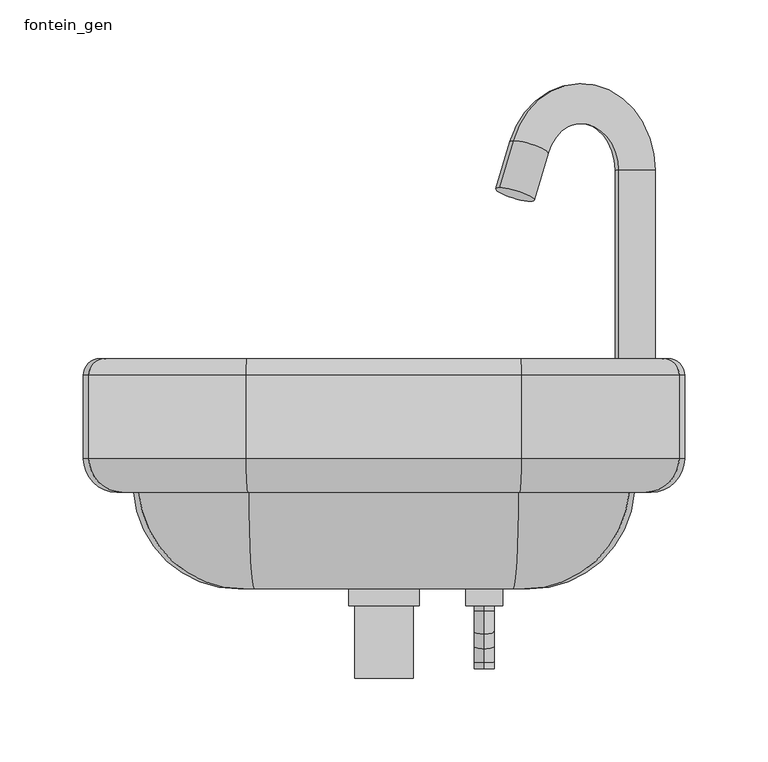
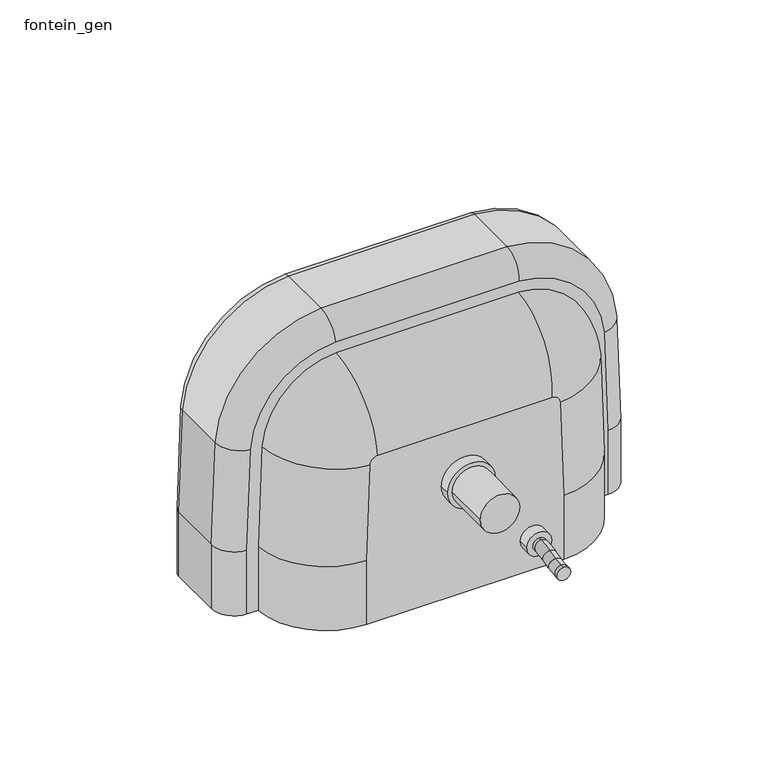
"""IFC4 building model written with IfcOpenShell, lengths in millimetres: flow terminal geometry, fontein_gen."""

from ifc_helpers import new_model, si_unit, point, frame, frame_2d, origin, place, context, project, spatial, polyline, circle_curve, ellipse_curve, trimmed, segment, composite_curve, outline, extrude, source, transform, mapped, element, save
from ifc_brep_helpers import plane_surface, cylinder_surface, revolved_surface, advanced_brep


def fontein_gen_d8a96974(model_context):
    return source(origin(), model_context, "Body", "SolidModel", [
        extrude(outline(composite_curve([segment(trimmed(circle_curve(frame_2d((30.0, 60.0)), 11.0), [point((30.0, 49.0))], [point((30.0, 71.0))], False, "CARTESIAN"), True, "CONTINUOUS"), segment(trimmed(circle_curve(frame_2d((30.0, 60.0)), 11.0), [point((30.0, 71.0))], [point((30.0, 49.0))], False, "CARTESIAN"), True, "CONTINUOUS")], self_intersect=False)), frame((0.0, 60.0639125, 0.0), z_axis=(0.0, 1.0, 0.0), x_axis=(0.0, 0.0, 1.0)), (0.0, 0.0, 1.0), 10.0),
        extrude(outline(composite_curve([segment(trimmed(circle_curve(frame_2d((106.0, 0.0)), 21.0), [point((106.0, -21.0))], [point((106.0, 21.0))], False, "CARTESIAN"), True, "CONTINUOUS"), segment(trimmed(circle_curve(frame_2d((106.0, 0.0)), 21.0), [point((106.0, 21.0))], [point((106.0, -21.0))], False, "CARTESIAN"), True, "CONTINUOUS")], self_intersect=False)), frame((0.0, 60.0639125, 0.0), z_axis=(0.0, 1.0, 0.0), x_axis=(0.0, 0.0, 1.0)), (0.0, 0.0, 1.0), 10.0),
        advanced_brep(
        [(87.3560443, 70.0639125, 0.0), (-87.3560443, 70.0639125, 0.0), (-150.0, 128.0639125, 0.0), (-160.0, 128.0639125, 0.0), (-180.0, 148.0639125, 0.0), (-180.0, 198.0639125, 0.0), (-170.0, 208.0639125, 0.0), (170.0, 208.0639125, 0.0), (180.0, 198.0639125, 0.0), (180.0, 148.0639125, 0.0), (160.0, 128.0639125, 0.0), (150.0, 128.0639125, 0.0), (180.0, 198.0639125, 60.0), (180.0, 148.0639125, 60.0), (-170.0, 208.0639125, 60.0), (-166.7286829, 208.0639125, 154.1058858), (-81.9569, 208.0639125, 237.716655), (81.9569, 208.0639125, 237.716655), (166.7286829, 208.0639125, 154.1058858), (170.0, 208.0639125, 60.0), (156.833767, 208.0639125, 151.2566924), (81.0027474, 208.0639125, 228.3712082), (-81.0027474, 208.0639125, 228.3712082), (-156.833767, 208.0639125, 151.2566924), (-158.4609999, 208.0639125, 104.4461301), (-106.3160991, 208.0639125, 42.8733027), (106.3160991, 208.0639125, 42.8733027), (158.4609999, 208.0639125, 104.4461301), (-180.0, 148.0639125, 60.0), (-180.0, 198.0639125, 60.0), (87.3560443, 70.0639125, 60.0), (84.2842206, 70.0639125, 148.3670678), (77.3554984, 70.0639125, 155.2008958), (-77.3554984, 70.0639125, 155.2008958), (-84.2842206, 70.0639125, 148.3670678), (-87.3560443, 70.0639125, 60.0), (160.0, 128.0639125, 60.0), (156.7528218, 128.0639125, 153.4114832), (81.4001259, 128.0639125, 227.7321669), (-81.4001259, 128.0639125, 227.7321669), (-156.7528218, 128.0639125, 153.4114832), (-160.0, 128.0639125, 60.0), (-150.0, 128.0639125, 60.0), (-146.7769607, 128.0639125, 152.7170806), (-80.8433518, 128.0639125, 217.7476788), (80.8433518, 128.0639125, 217.7476788), (146.7769607, 128.0639125, 152.7170806), (150.0, 128.0639125, 60.0), (176.704544, 148.0639125, 154.8002885), (176.704544, 198.0639125, 154.8002885), (82.5136742, 148.0639125, 247.7011431), (82.5136742, 198.0639125, 247.7011431), (-82.5136742, 148.0639125, 247.7011431), (-82.5136742, 198.0639125, 247.7011431), (-176.704544, 148.0639125, 154.8002885), (-176.704544, 198.0639125, 154.8002885), (80.4876614, 198.0639125, 218.3844827), (146.8398036, 198.0639125, 150.9092814), (146.8398036, 173.0045292, 150.9092814), (80.4876614, 173.0045292, 218.3844827), (115.3496651, 141.49537, 149.8146184), (78.8646687, 141.49537, 186.9171503), (-80.4876614, 198.0639125, 218.3844827), (-80.4876614, 173.0045292, 218.3844827), (-78.8646687, 141.49537, 186.9171503), (-146.8398036, 198.0639125, 150.9092814), (-146.8398036, 173.0045292, 150.9092814), (-115.3496651, 141.49537, 149.8146184), (-148.4670365, 198.0639125, 104.0987191), (-148.4670365, 173.0045292, 104.0987191), (-116.9768979, 141.49537, 103.0040561), (-105.0129524, 198.0639125, 52.7880295), (-105.0129524, 173.0045292, 52.7880295), (-100.9068469, 141.49537, 84.0285002), (105.0129524, 198.0639125, 52.7880295), (105.0129524, 173.0045292, 52.7880295), (100.9068469, 141.49537, 84.0285002), (148.4670365, 198.0639125, 104.0987191), (148.4670365, 173.0045292, 104.0987191), (116.9768979, 141.49537, 103.0040561)],
        [
            (0, 1),
            (1, 2, circle_curve(frame((-87.3560443, 132.8937848, 0.0), z_axis=(0.0, 0.0, -1.0), x_axis=(1.0, 0.0, 0.0)), 62.8298723)),
            (2, 3),
            (3, 4, circle_curve(frame((-160.0, 148.0639125, 0.0), z_axis=(0.0, 0.0, -1.0), x_axis=(1.0, 0.0, 0.0)), 20.0)),
            (4, 5),
            (5, 6, circle_curve(frame((-170.0, 198.0639125, 0.0), z_axis=(0.0, 0.0, -1.0), x_axis=(1.0, 0.0, 0.0)), 10.0)),
            (6, 7),
            (7, 8, circle_curve(frame((170.0, 198.0639125, 0.0), z_axis=(0.0, 0.0, -1.0), x_axis=(-1.0, 0.0, 0.0)), 10.0)),
            (8, 9),
            (9, 10, circle_curve(frame((160.0, 148.0639125, 0.0), z_axis=(0.0, 0.0, -1.0), x_axis=(-1.0, 0.0, 0.0)), 20.0)),
            (10, 11),
            (11, 0, circle_curve(frame((87.3560443, 132.8937848, 0.0), z_axis=(0.0, 0.0, -1.0), x_axis=(-1.0, 0.0, 0.0)), 62.8298723)),
            (8, 12),
            (12, 13),
            (13, 9),
            (6, 14),
            (14, 15, circle_curve(frame((1185.2063417, 208.0639125, 60.0), z_axis=(0.0, 1.0, 0.0), x_axis=(-0.9975861114536935, 0.0, 0.06944026378621444)), 1355.2063417)),
            (15, 16, circle_curve(frame((-76.9459329, 208.0639125, 147.8562621), z_axis=(0.0, 1.0, 0.0), x_axis=(-0.05567741255508249, 0.0, 0.9984488097700208)), 90.0)),
            (16, 17, circle_curve(frame((0.0, 208.0639125, -1231.9954874), z_axis=(0.0, 1.0, 0.0), x_axis=(0.05567741255517684, 0.0, 0.9984488097700155)), 1471.9954874)),
            (17, 18, circle_curve(frame((76.9459329, 208.0639125, 147.8562621), z_axis=(0.0, 1.0, 0.0), x_axis=(0.9975861114536129, 0.0, 0.06944026378737289)), 90.0)),
            (18, 19, circle_curve(frame((-1185.2063416, 208.0639125, 60.0), z_axis=(0.0, 1.0, 0.0), x_axis=(1.0, 0.0, 0.0)), 1355.2063416)),
            (19, 7),
            (20, 21, circle_curve(frame((76.8820594, 208.0639125, 148.4774041), z_axis=(0.0, -1.0, 0.0), x_axis=(0.9993963456641886, 0.0, 0.03474110350961364)), 80.0)),
            (21, 22, circle_curve(frame((0.0, 208.0639125, -1342.1474997), z_axis=(0.0, -1.0, 0.0), x_axis=(0.05150860030189463, 0.0, 0.9986725509870288)), 1572.6062625)),
            (22, 23, circle_curve(frame((-76.8820594, 208.0639125, 148.4774041), z_axis=(0.0, -1.0, 0.0), x_axis=(-0.05150860030187896, 0.0, 0.9986725509870297)), 80.0)),
            (23, 24),
            (24, 25, circle_curve(frame((-98.4972192, 208.0639125, 102.3616639), z_axis=(0.0, -1.0, 0.0), x_axis=(-0.9993963456641877, 0.0, 0.034741103509640194)), 60.0)),
            (25, 26, circle_curve(frame((0.0, 208.0639125, 851.7577721), z_axis=(0.0, -1.0, 0.0), x_axis=(-0.13031466461683514, 0.0, -0.9914726865556115)), 815.8414048)),
            (26, 27, circle_curve(frame((98.4972192, 208.0639125, 102.3616639), z_axis=(0.0, -1.0, 0.0), x_axis=(0.13031466461684268, 0.0, -0.9914726865556105)), 60.0)),
            (27, 20),
            (4, 28),
            (28, 29),
            (29, 5),
            (0, 30),
            (30, 31, circle_curve(frame((-1185.2063416, 70.0639125, 60.0), z_axis=(0.0, -1.0, 0.0), x_axis=(1.0, 0.0, 0.0)), 1272.5623859)),
            (31, 32, circle_curve(frame((76.9459329, 70.0639125, 147.8562621), z_axis=(0.0, -1.0, 0.0), x_axis=(0.9975861114536129, 0.0, 0.06944026378737289)), 7.3560443)),
            (32, 33, circle_curve(frame((0.0, 70.0639125, -1231.9954874), z_axis=(0.0, -1.0, 0.0), x_axis=(0.05567741255517684, 0.0, 0.9984488097700155)), 1389.3515318)),
            (33, 34, circle_curve(frame((-76.9459329, 70.0639125, 147.8562621), z_axis=(0.0, -1.0, 0.0), x_axis=(-0.05567741255508249, 0.0, 0.9984488097700208)), 7.3560443)),
            (34, 35, circle_curve(frame((1185.2063417, 70.0639125, 60.0), z_axis=(0.0, -1.0, 0.0), x_axis=(-0.9975861114536935, 0.0, 0.06944026378621444)), 1272.562386)),
            (35, 1),
            (10, 36),
            (36, 37, circle_curve(frame((-1185.2063416, 128.0639125, 60.0), z_axis=(0.0, -1.0, 0.0), x_axis=(1.0, 0.0, 0.0)), 1345.2063416)),
            (37, 38, circle_curve(frame((76.9459329, 128.0639125, 147.8562621), z_axis=(0.0, -1.0, 0.0), x_axis=(0.9975861114536129, 0.0, 0.06944026378737289)), 80.0)),
            (38, 39, circle_curve(frame((0.0, 128.0639125, -1231.9954874), z_axis=(0.0, -1.0, 0.0), x_axis=(0.05567741255517684, 0.0, 0.9984488097700155)), 1461.9954874)),
            (39, 40, circle_curve(frame((-76.9459329, 128.0639125, 147.8562621), z_axis=(0.0, -1.0, 0.0), x_axis=(-0.05567741255508249, 0.0, 0.9984488097700208)), 80.0)),
            (40, 41, circle_curve(frame((1185.2063417, 128.0639125, 60.0), z_axis=(0.0, -1.0, 0.0), x_axis=(-0.9975861114536935, 0.0, 0.06944026378621444)), 1345.2063417)),
            (41, 3),
            (2, 42),
            (42, 43, circle_curve(frame((1185.2063417, 128.0639125, 60.0), z_axis=(0.0, 1.0, 0.0), x_axis=(-0.9975861114536935, 0.0, 0.06944026378621444)), 1335.2063417)),
            (43, 44, circle_curve(frame((-76.9459329, 128.0639125, 147.8562621), z_axis=(0.0, 1.0, 0.0), x_axis=(-0.05567741255508249, 0.0, 0.9984488097700208)), 70.0)),
            (44, 45, circle_curve(frame((0.0, 128.0639125, -1231.9954874), z_axis=(0.0, 1.0, 0.0), x_axis=(0.05567741255517684, 0.0, 0.9984488097700155)), 1451.9954874)),
            (45, 46, circle_curve(frame((76.9459329, 128.0639125, 147.8562621), z_axis=(0.0, 1.0, 0.0), x_axis=(0.9975861114536129, 0.0, 0.06944026378737289)), 70.0)),
            (46, 47, circle_curve(frame((-1185.2063416, 128.0639125, 60.0), z_axis=(0.0, 1.0, 0.0), x_axis=(1.0, 0.0, 0.0)), 1335.2063416)),
            (47, 11),
            (13, 36, circle_curve(frame((160.0, 148.0639125, 60.0), z_axis=(0.0, 0.0, -1.0), x_axis=(-1.0, 0.0, 0.0)), 20.0)),
            (19, 12, circle_curve(frame((170.0, 198.0639125, 60.0), z_axis=(0.0, 0.0, -1.0), x_axis=(-1.0, 0.0, 0.0)), 10.0)),
            (13, 48, circle_curve(frame((-1185.2063416, 148.0639125, 60.0), z_axis=(0.0, -1.0, 0.0), x_axis=(1.0, 0.0, 0.0)), 1365.2063416)),
            (48, 37, circle_curve(frame((156.7528218, 148.0639125, 153.4114832), z_axis=(0.06944026378737282, 0.0, -0.9975861114536129), x_axis=(-0.9975861114536129, 0.0, -0.06944026378737282)), 20.0)),
            (12, 49, circle_curve(frame((-1185.2063416, 198.0639125, 60.0), z_axis=(0.0, -1.0, 0.0), x_axis=(1.0, 0.0, 0.0)), 1365.2063416)),
            (49, 48),
            (18, 49, circle_curve(frame((166.7286829, 198.0639125, 154.1058858), z_axis=(0.06944026378737281, 0.0, -0.9975861114536129), x_axis=(-0.9975861114536129, 0.0, -0.06944026378737281)), 10.0)),
            (48, 50, circle_curve(frame((76.9459329, 148.0639125, 147.8562621), z_axis=(0.0, -1.0, 0.0), x_axis=(0.9975861114536129, 0.0, 0.06944026378737289)), 100.0)),
            (50, 38, circle_curve(frame((81.4001259, 148.0639125, 227.7321669), z_axis=(0.9984488097700155, 0.0, -0.055677412555178094), x_axis=(-0.055677412555178094, 0.0, -0.9984488097700155)), 20.0)),
            (49, 51, circle_curve(frame((76.9459329, 198.0639125, 147.8562621), z_axis=(0.0, -1.0, 0.0), x_axis=(0.9975861114536129, 0.0, 0.06944026378737289)), 100.0)),
            (51, 50),
            (17, 51, circle_curve(frame((81.9569, 198.0639125, 237.716655), z_axis=(0.9984488097700155, 0.0, -0.055677412555178094), x_axis=(-0.055677412555178094, 0.0, -0.9984488097700155)), 10.0)),
            (50, 52, circle_curve(frame((0.0, 148.0639125, -1231.9954874), z_axis=(0.0, -1.0, 0.0), x_axis=(0.05567741255517684, 0.0, 0.9984488097700155)), 1481.9954874)),
            (52, 39, circle_curve(frame((-81.4001259, 148.0639125, 227.7321669), z_axis=(0.9984488097700208, 0.0, 0.055677412555082045), x_axis=(0.055677412555082045, 0.0, -0.9984488097700208)), 20.0)),
            (51, 53, circle_curve(frame((0.0, 198.0639125, -1231.9954874), z_axis=(0.0, -1.0, 0.0), x_axis=(0.05567741255517684, 0.0, 0.9984488097700155)), 1481.9954874)),
            (53, 52),
            (16, 53, circle_curve(frame((-81.9569, 198.0639125, 237.716655), z_axis=(0.9984488097700208, 0.0, 0.055677412555082045), x_axis=(0.055677412555082045, 0.0, -0.9984488097700208)), 10.0)),
            (52, 54, circle_curve(frame((-76.9459329, 148.0639125, 147.8562621), z_axis=(0.0, -1.0, 0.0), x_axis=(-0.05567741255508249, 0.0, 0.9984488097700208)), 100.0)),
            (54, 40, circle_curve(frame((-156.7528218, 148.0639125, 153.4114832), z_axis=(0.06944026378621487, 0.0, 0.9975861114536935), x_axis=(0.9975861114536935, 0.0, -0.06944026378621487)), 20.0)),
            (53, 55, circle_curve(frame((-76.9459329, 198.0639125, 147.8562621), z_axis=(0.0, -1.0, 0.0), x_axis=(-0.05567741255508249, 0.0, 0.9984488097700208)), 100.0)),
            (55, 54),
            (15, 55, circle_curve(frame((-166.7286829, 198.0639125, 154.1058858), z_axis=(0.06944026378621466, 0.0, 0.9975861114536935), x_axis=(0.9975861114536935, 0.0, -0.06944026378621466)), 10.0)),
            (54, 28, circle_curve(frame((1185.2063417, 148.0639125, 60.0), z_axis=(0.0, -1.0, 0.0), x_axis=(-0.9975861114536935, 0.0, 0.06944026378621444)), 1365.2063417)),
            (28, 41, circle_curve(frame((-160.0, 148.0639125, 60.0), z_axis=(0.0, 0.0, 1.0), x_axis=(1.0, 0.0, 0.0)), 20.0)),
            (55, 29, circle_curve(frame((1185.2063417, 198.0639125, 60.0), z_axis=(0.0, -1.0, 0.0), x_axis=(-0.9975861114536935, 0.0, 0.06944026378621444)), 1365.2063417)),
            (14, 29, circle_curve(frame((-170.0, 198.0639125, 60.0), z_axis=(0.0, 0.0, 1.0), x_axis=(1.0, 0.0, 0.0)), 10.0)),
            (47, 30, circle_curve(frame((87.3560443, 132.8937848, 60.0), z_axis=(0.0, 0.0, -1.0), x_axis=(-1.0, 0.0, 0.0)), 62.8298723)),
            (46, 31, circle_curve(frame((84.2842206, 132.8937848, 148.3670678), z_axis=(0.0694402637873728, 0.0, -0.9975861114536129), x_axis=(-0.9975861114536129, 0.0, -0.0694402637873728)), 62.8298723)),
            (45, 32, circle_curve(frame((77.3554984, 132.8937848, 155.2008958), z_axis=(0.9984488097700155, 0.0, -0.05567741255517854), x_axis=(-0.05567741255517854, 0.0, -0.9984488097700155)), 62.8298723)),
            (44, 33, circle_curve(frame((-77.3554984, 132.8937848, 155.2008958), z_axis=(0.9984488097700208, 0.0, 0.05567741255508202), x_axis=(0.05567741255508202, 0.0, -0.9984488097700208)), 62.8298723)),
            (43, 34, circle_curve(frame((-84.2842206, 132.8937848, 148.3670678), z_axis=(0.06944026378621466, 0.0, 0.9975861114536935), x_axis=(0.9975861114536935, 0.0, -0.06944026378621466)), 62.8298723)),
            (42, 35, circle_curve(frame((-87.3560443, 132.8937848, 60.0), z_axis=(0.0, 0.0, 0.9999999999999999), x_axis=(0.9999999999999999, 0.0, 0.0)), 62.8298723)),
            (56, 21, circle_curve(frame((81.0027474, 198.0639125, 228.3712082), z_axis=(0.9986725509870287, 0.0, -0.05150860030189598), x_axis=(-0.05150860030189598, 0.0, -0.9986725509870287)), 10.0)),
            (20, 57, circle_curve(frame((156.833767, 198.0639125, 151.2566924), z_axis=(-0.03474110350961363, 0.0, 0.9993963456641886), x_axis=(-0.9993963456641886, 0.0, -0.03474110350961363)), 10.0)),
            (57, 56, circle_curve(frame((76.8820594, 198.0639125, 148.4774041), z_axis=(0.0, -1.0, 0.0), x_axis=(0.9993963456641886, 0.0, 0.03474110350961364)), 70.0)),
            (57, 58),
            (58, 59, circle_curve(frame((76.8820594, 173.0045292, 148.4774041), z_axis=(0.0, -1.0, 0.0), x_axis=(0.9993963456641886, 0.0, 0.03474110350961364)), 70.0)),
            (59, 56),
            (58, 60, circle_curve(frame((115.3496651, 173.0045292, 149.8146184), z_axis=(0.03474110350961363, 0.0, -0.9993963456641886), x_axis=(-0.9993963456641886, 0.0, -0.03474110350961363)), 31.5091592)),
            (60, 61, circle_curve(frame((76.8820594, 141.49537, 148.4774041), z_axis=(0.0, -1.0, 0.0), x_axis=(0.9993963456641886, 0.0, 0.03474110350961364)), 38.4908408)),
            (61, 59, circle_curve(frame((78.8646687, 173.0045292, 186.9171503), z_axis=(-0.9986725509870287, 0.0, 0.051508600301896204), x_axis=(-0.051508600301896204, 0.0, -0.9986725509870287)), 31.5091592)),
            (56, 62, circle_curve(frame((0.0, 198.0639125, -1342.1474997), z_axis=(0.0, -1.0, 0.0), x_axis=(0.05150860030189463, 0.0, 0.9986725509870288)), 1562.6062625)),
            (62, 22, circle_curve(frame((-81.0027474, 198.0639125, 228.3712082), z_axis=(0.9986725509870293, 0.0, 0.05150860030188335), x_axis=(0.05150860030188335, 0.0, -0.9986725509870293)), 10.0)),
            (59, 63, circle_curve(frame((0.0, 173.0045292, -1342.1474997), z_axis=(0.0, -1.0, 0.0), x_axis=(0.05150860030189463, 0.0, 0.9986725509870288)), 1562.6062625)),
            (63, 62),
            (61, 64, circle_curve(frame((0.0, 141.49537, -1342.1474997), z_axis=(0.0, -1.0, 0.0), x_axis=(0.05150860030189463, 0.0, 0.9986725509870288)), 1531.0971033)),
            (64, 63, circle_curve(frame((-78.8646687, 173.0045292, 186.9171503), z_axis=(-0.9986725509870293, 0.0, -0.05150860030188342), x_axis=(0.05150860030188342, 0.0, -0.9986725509870293)), 31.5091592)),
            (62, 65, circle_curve(frame((-76.8820594, 198.0639125, 148.4774041), z_axis=(0.0, -1.0, 0.0), x_axis=(-0.05150860030187896, 0.0, 0.9986725509870297)), 70.0)),
            (65, 23, circle_curve(frame((-156.833767, 198.0639125, 151.2566924), z_axis=(0.03474110350964043, 0.0, 0.9993963456641877), x_axis=(0.9993963456641877, 0.0, -0.03474110350964043)), 10.0)),
            (63, 66, circle_curve(frame((-76.8820594, 173.0045292, 148.4774041), z_axis=(0.0, -1.0, 0.0), x_axis=(-0.05150860030187896, 0.0, 0.9986725509870297)), 70.0)),
            (66, 65),
            (64, 67, circle_curve(frame((-76.8820594, 141.49537, 148.4774041), z_axis=(0.0, -1.0, 0.0), x_axis=(-0.05150860030187896, 0.0, 0.9986725509870297)), 38.4908408)),
            (67, 66, circle_curve(frame((-115.3496651, 173.0045292, 149.8146184), z_axis=(-0.034741103509635995, 0.0, -0.9993963456641878), x_axis=(0.9993963456641878, 0.0, -0.034741103509635995)), 31.5091592)),
            (65, 68),
            (68, 24, circle_curve(frame((-158.4609999, 198.0639125, 104.4461301), z_axis=(0.034741103509640194, 0.0, 0.9993963456641877), x_axis=(0.9993963456641877, 0.0, -0.034741103509640194)), 10.0)),
            (66, 69),
            (69, 68),
            (67, 70),
            (70, 69, circle_curve(frame((-116.9768979, 173.0045292, 103.0040561), z_axis=(-0.034741103509640194, 0.0, -0.9993963456641877), x_axis=(0.9993963456641877, 0.0, -0.034741103509640194)), 31.5091592)),
            (68, 71, circle_curve(frame((-98.4972192, 198.0639125, 102.3616639), z_axis=(0.0, -1.0, 0.0), x_axis=(-0.9993963456641877, 0.0, 0.034741103509640194)), 50.0)),
            (71, 25, circle_curve(frame((-106.3160991, 198.0639125, 42.8733027), z_axis=(-0.9914726865555983, 0.0, 0.13031466461693508), x_axis=(0.13031466461693508, 0.0, 0.9914726865555983)), 10.0)),
            (69, 72, circle_curve(frame((-98.4972192, 173.0045292, 102.3616639), z_axis=(0.0, -1.0, 0.0), x_axis=(-0.9993963456641877, 0.0, 0.034741103509640194)), 50.0)),
            (72, 71),
            (70, 73, circle_curve(frame((-98.4972192, 141.49537, 102.3616639), z_axis=(0.0, -1.0, 0.0), x_axis=(-0.9993963456641877, 0.0, 0.034741103509640194)), 18.4908408)),
            (73, 72, circle_curve(frame((-100.9068469, 173.0045292, 84.0285002), z_axis=(0.991472686555576, 0.0, -0.13031466461710547), x_axis=(0.13031466461710547, 0.0, 0.991472686555576)), 31.5091592)),
            (71, 74, circle_curve(frame((0.0, 198.0639125, 851.7577721), z_axis=(0.0, -1.0, 0.0), x_axis=(-0.13031466461683514, 0.0, -0.9914726865556115)), 805.8414048)),
            (74, 26, circle_curve(frame((106.3160991, 198.0639125, 42.8733027), z_axis=(-0.9914726865556098, 0.0, -0.13031466461684857), x_axis=(-0.13031466461684857, 0.0, 0.9914726865556098)), 10.0)),
            (72, 75, circle_curve(frame((0.0, 173.0045292, 851.7577721), z_axis=(0.0, -1.0, 0.0), x_axis=(-0.13031466461683514, 0.0, -0.9914726865556115)), 805.8414048)),
            (75, 74),
            (73, 76, circle_curve(frame((0.0, 141.49537, 851.7577721), z_axis=(0.0, -1.0, 0.0), x_axis=(-0.13031466461683514, 0.0, -0.9914726865556115)), 774.3322457)),
            (76, 75, circle_curve(frame((100.9068469, 173.0045292, 84.0285002), z_axis=(0.9914726865556097, 0.0, 0.13031466461684887), x_axis=(-0.13031466461684887, 0.0, 0.9914726865556097)), 31.5091592)),
            (74, 77, circle_curve(frame((98.4972192, 198.0639125, 102.3616639), z_axis=(0.0, -1.0, 0.0), x_axis=(0.13031466461684268, 0.0, -0.9914726865556105)), 50.0)),
            (77, 27, circle_curve(frame((158.4609999, 198.0639125, 104.4461301), z_axis=(0.03474110350961988, 0.0, -0.9993963456641884), x_axis=(-0.9993963456641884, 0.0, -0.03474110350961988)), 10.0)),
            (75, 78, circle_curve(frame((98.4972192, 173.0045292, 102.3616639), z_axis=(0.0, -1.0, 0.0), x_axis=(0.13031466461684268, 0.0, -0.9914726865556105)), 50.0)),
            (78, 77),
            (76, 79, circle_curve(frame((98.4972192, 141.49537, 102.3616639), z_axis=(0.0, -1.0, 0.0), x_axis=(0.13031466461684268, 0.0, -0.9914726865556105)), 18.4908408)),
            (79, 78, circle_curve(frame((116.9768979, 173.0045292, 103.0040561), z_axis=(-0.034741103509631194, 0.0, 0.9993963456641879), x_axis=(-0.9993963456641879, 0.0, -0.034741103509631194)), 31.5091592)),
            (77, 57),
            (78, 58),
            (79, 60),
        ],
        [
            plane_surface(frame((180.0, 70.0639125, 0.0), z_axis=(0.0, 0.0, -1.0), x_axis=(0.0, -1.0, 0.0))),
            plane_surface(frame((180.0, 70.0639125, 250.0), z_axis=(1.0, 0.0, 0.0), x_axis=(0.0, 0.0, -1.0))),
            plane_surface(frame((180.0, 208.0639125, 250.0), z_axis=(0.0, 1.0, 0.0), x_axis=(0.0, 0.0, -1.0))),
            plane_surface(frame((-180.0, 208.0639125, 250.0), z_axis=(-1.0, 0.0, 0.0), x_axis=(0.0, 0.0, -1.0))),
            plane_surface(frame((-180.0, 70.0639125, 250.0), z_axis=(0.0, -1.0, 0.0), x_axis=(0.0, 0.0, -1.0))),
            plane_surface(frame((150.0, 128.0639125, 0.0), z_axis=(0.0, -1.0, 0.0), x_axis=(0.0, 0.0, 1.0))),
            cylinder_surface(frame((160.0, 148.0639125, 0.0), z_axis=(0.0, 0.0, 1.0), x_axis=(-1.0, 0.0, 0.0)), 20.0),
            cylinder_surface(frame((170.0, 198.0639125, 0.0), z_axis=(0.0, 0.0, 1.0), x_axis=(-1.0, 0.0, 0.0)), 10.0),
            revolved_surface(trimmed(ellipse_curve(frame((160.0, 148.0639125, 60.0), z_axis=(0.0, 0.0, -1.0), x_axis=(-1.0, 0.0, 0.0)), 20.0, 20.0), [point((180.0, 148.0639125, 60.0))], [point((160.0, 128.0639125, 60.0))], True, "CARTESIAN"), (-1185.2063416, 208.0639125, 60.0), (0.0, -1.0, 0.0)),
            cylinder_surface(frame((-1185.2063416, 208.0639125, 60.0), z_axis=(0.0, -1.0, 0.0), x_axis=(1.0, 0.0, 0.0)), 1365.2063416),
            revolved_surface(trimmed(ellipse_curve(frame((170.0, 198.0639125, 60.0), z_axis=(0.0, 0.0, -1.0), x_axis=(-1.0, 0.0, 0.0)), 10.0, 10.0), [point((170.0, 208.0639125, 60.0))], [point((180.0, 198.0639125, 60.0))], True, "CARTESIAN"), (-1185.2063416, 208.0639125, 60.0), (0.0, -1.0, 0.0)),
            revolved_surface(trimmed(ellipse_curve(frame((156.7528218, 148.0639125, 153.4114832), z_axis=(0.06944026378737288, 0.0, -0.9975861114536129), x_axis=(-0.9975861114536129, 0.0, -0.06944026378737288)), 20.0, 20.0), [point((176.704544, 148.0639125, 154.8002885))], [point((156.7528218, 128.0639125, 153.4114832))], True, "CARTESIAN"), (76.9459329, 208.0639125, 147.8562621), (0.0, -1.0, 0.0)),
            cylinder_surface(frame((76.9459329, 208.0639125, 147.8562621), z_axis=(0.0, -1.0, 0.0), x_axis=(0.9975861114536129, 0.0, 0.06944026378737289)), 100.0),
            revolved_surface(trimmed(ellipse_curve(frame((166.7286829, 198.0639125, 154.1058858), z_axis=(0.06944026378737288, 0.0, -0.9975861114536129), x_axis=(-0.9975861114536129, 0.0, -0.06944026378737288)), 10.0, 10.0), [point((166.7286829, 208.0639125, 154.1058858))], [point((176.704544, 198.0639125, 154.8002885))], True, "CARTESIAN"), (76.9459329, 208.0639125, 147.8562621), (0.0, -1.0, 0.0)),
            revolved_surface(trimmed(ellipse_curve(frame((81.4001259, 148.0639125, 227.7321669), z_axis=(0.9984488097700155, 0.0, -0.05567741255517685), x_axis=(-0.05567741255517685, 0.0, -0.9984488097700155)), 20.0, 20.0), [point((82.5136742, 148.0639125, 247.7011431))], [point((81.4001259, 128.0639125, 227.7321669))], True, "CARTESIAN"), (0.0, 208.0639125, -1231.9954874), (0.0, -1.0, 0.0)),
            cylinder_surface(frame((0.0, 208.0639125, -1231.9954874), z_axis=(0.0, -1.0, 0.0), x_axis=(0.05567741255517684, 0.0, 0.9984488097700155)), 1481.9954874),
            revolved_surface(trimmed(ellipse_curve(frame((81.9569, 198.0639125, 237.716655), z_axis=(0.9984488097700155, 0.0, -0.05567741255517685), x_axis=(-0.05567741255517685, 0.0, -0.9984488097700155)), 10.0, 10.0), [point((81.9569, 208.0639125, 237.716655))], [point((82.5136742, 198.0639125, 247.7011431))], True, "CARTESIAN"), (0.0, 208.0639125, -1231.9954874), (0.0, -1.0, 0.0)),
            revolved_surface(trimmed(ellipse_curve(frame((-81.4001259, 148.0639125, 227.7321669), z_axis=(0.9984488097700208, 0.0, 0.05567741255508249), x_axis=(0.05567741255508249, 0.0, -0.9984488097700208)), 20.0, 20.0), [point((-82.5136742, 148.0639125, 247.7011431))], [point((-81.4001259, 128.0639125, 227.7321669))], True, "CARTESIAN"), (-76.9459329, 208.0639125, 147.8562621), (0.0, -1.0, 0.0)),
            cylinder_surface(frame((-76.9459329, 208.0639125, 147.8562621), z_axis=(0.0, -1.0, 0.0), x_axis=(-0.05567741255508249, 0.0, 0.9984488097700208)), 100.0),
            revolved_surface(trimmed(ellipse_curve(frame((-81.9569, 198.0639125, 237.716655), z_axis=(0.9984488097700208, 0.0, 0.05567741255508249), x_axis=(0.05567741255508249, 0.0, -0.9984488097700208)), 10.0, 10.0), [point((-81.9569, 208.0639125, 237.716655))], [point((-82.5136742, 198.0639125, 247.7011431))], True, "CARTESIAN"), (-76.9459329, 208.0639125, 147.8562621), (0.0, -1.0, 0.0)),
            revolved_surface(trimmed(ellipse_curve(frame((-156.7528218, 148.0639125, 153.4114832), z_axis=(0.0694402637862145, 0.0, 0.9975861114536935), x_axis=(0.9975861114536935, 0.0, -0.0694402637862145)), 20.0, 20.0), [point((-176.704544, 148.0639125, 154.8002885))], [point((-156.7528218, 128.0639125, 153.4114832))], True, "CARTESIAN"), (1185.2063417, 208.0639125, 60.0), (0.0, -1.0, 0.0)),
            cylinder_surface(frame((1185.2063417, 208.0639125, 60.0), z_axis=(0.0, -1.0, 0.0), x_axis=(-0.9975861114536935, 0.0, 0.06944026378621444)), 1365.2063417),
            revolved_surface(trimmed(ellipse_curve(frame((-166.7286829, 198.0639125, 154.1058858), z_axis=(0.0694402637862145, 0.0, 0.9975861114536935), x_axis=(0.9975861114536935, 0.0, -0.0694402637862145)), 10.0, 10.0), [point((-166.7286829, 208.0639125, 154.1058858))], [point((-176.704544, 198.0639125, 154.8002885))], True, "CARTESIAN"), (1185.2063417, 208.0639125, 60.0), (0.0, -1.0, 0.0)),
            cylinder_surface(frame((-160.0, 148.0639125, 60.0), z_axis=(0.0, 0.0, -1.0), x_axis=(1.0, 0.0, 0.0)), 20.0),
            cylinder_surface(frame((-170.0, 198.0639125, 60.0), z_axis=(0.0, 0.0, -1.0), x_axis=(1.0, 0.0, 0.0)), 10.0),
            cylinder_surface(frame((87.3560443, 132.8937848, 0.0), z_axis=(0.0, 0.0, 1.0), x_axis=(-1.0, 0.0, 0.0)), 62.8298723),
            revolved_surface(trimmed(ellipse_curve(frame((87.3560443, 132.8937848, 60.0), z_axis=(0.0, 0.0, -1.0), x_axis=(-1.0, 0.0, 0.0)), 62.8298723, 62.8298723), [point((150.0, 128.0639125, 60.0))], [point((87.3560443, 70.0639125, 60.0))], True, "CARTESIAN"), (-1185.2063416, 208.0639125, 60.0), (0.0, -1.0, 0.0)),
            revolved_surface(trimmed(ellipse_curve(frame((84.2842206, 132.8937848, 148.3670678), z_axis=(0.06944026378737288, 0.0, -0.9975861114536129), x_axis=(-0.9975861114536129, 0.0, -0.06944026378737288)), 62.8298723, 62.8298723), [point((146.7769607, 128.0639125, 152.7170806))], [point((84.2842206, 70.0639125, 148.3670678))], True, "CARTESIAN"), (76.9459329, 208.0639125, 147.8562621), (0.0, -1.0, 0.0)),
            revolved_surface(trimmed(ellipse_curve(frame((77.3554984, 132.8937848, 155.2008958), z_axis=(0.9984488097700155, 0.0, -0.05567741255517685), x_axis=(-0.05567741255517685, 0.0, -0.9984488097700155)), 62.8298723, 62.8298723), [point((80.8433518, 128.0639125, 217.7476788))], [point((77.3554984, 70.0639125, 155.2008958))], True, "CARTESIAN"), (0.0, 208.0639125, -1231.9954874), (0.0, -1.0, 0.0)),
            revolved_surface(trimmed(ellipse_curve(frame((-77.3554984, 132.8937848, 155.2008958), z_axis=(0.9984488097700208, 0.0, 0.05567741255508249), x_axis=(0.05567741255508249, 0.0, -0.9984488097700208)), 62.8298723, 62.8298723), [point((-80.8433518, 128.0639125, 217.7476788))], [point((-77.3554984, 70.0639125, 155.2008958))], True, "CARTESIAN"), (-76.9459329, 208.0639125, 147.8562621), (0.0, -1.0, 0.0)),
            revolved_surface(trimmed(ellipse_curve(frame((-84.2842206, 132.8937848, 148.3670678), z_axis=(0.0694402637862145, 0.0, 0.9975861114536935), x_axis=(0.9975861114536935, 0.0, -0.0694402637862145)), 62.8298723, 62.8298723), [point((-146.7769607, 128.0639125, 152.7170806))], [point((-84.2842206, 70.0639125, 148.3670678))], True, "CARTESIAN"), (1185.2063417, 208.0639125, 60.0), (0.0, -1.0, 0.0)),
            cylinder_surface(frame((-87.3560443, 132.8937848, 60.0), z_axis=(0.0, 0.0, -1.0), x_axis=(1.0, 0.0, 0.0)), 62.8298723),
            revolved_surface(trimmed(ellipse_curve(frame((156.833767, 198.0639125, 151.2566924), z_axis=(0.03474110350961363, 0.0, -0.9993963456641886), x_axis=(-0.9993963456641886, 0.0, -0.03474110350961363)), 10.0, 10.0), [point((146.8398036, 198.0639125, 150.9092814))], [point((156.833767, 208.0639125, 151.2566924))], True, "CARTESIAN"), (76.8820594, 208.0639125, 148.4774041), (0.0, -1.0, 0.0)),
            revolved_surface(polyline([(146.8398035964932, 173.0045292, 150.90928134567295), (146.8398035964932, 198.0639125, 150.90928134567295)]), (76.8820594, 208.0639125, 148.4774041), (0.0, -1.0, 0.0)),
            revolved_surface(trimmed(ellipse_curve(frame((115.3496651, 173.0045292, 149.8146184), z_axis=(-0.03474110350961363, 0.0, 0.9993963456641886), x_axis=(-0.9993963456641886, 0.0, -0.03474110350961363)), 31.5091592, 31.5091592), [point((115.3496651, 141.49537, 149.8146184))], [point((146.8398036, 173.0045292, 150.9092814))], True, "CARTESIAN"), (76.8820594, 208.0639125, 148.4774041), (0.0, -1.0, 0.0)),
            revolved_surface(trimmed(ellipse_curve(frame((81.0027474, 198.0639125, 228.3712082), z_axis=(0.9986725509870288, 0.0, -0.05150860030189463), x_axis=(-0.05150860030189463, 0.0, -0.9986725509870288)), 10.0, 10.0), [point((80.4876614, 198.0639125, 218.3844827))], [point((81.0027474, 208.0639125, 228.3712082))], True, "CARTESIAN"), (0.0, 208.0639125, -1342.1474997), (0.0, -1.0, 0.0)),
            revolved_surface(polyline([(80.48766140434994, 173.0045292, 218.38448265918169), (80.48766140434994, 198.0639125, 218.38448265918169)]), (0.0, 208.0639125, -1342.1474997), (0.0, -1.0, 0.0)),
            revolved_surface(trimmed(ellipse_curve(frame((78.8646687, 173.0045292, 186.9171503), z_axis=(-0.9986725509870288, 0.0, 0.05150860030189463), x_axis=(-0.05150860030189463, 0.0, -0.9986725509870288)), 31.5091592, 31.5091592), [point((78.8646687, 141.49537, 186.9171503))], [point((80.4876614, 173.0045292, 218.3844827))], True, "CARTESIAN"), (0.0, 208.0639125, -1342.1474997), (0.0, -1.0, 0.0)),
            revolved_surface(trimmed(ellipse_curve(frame((-81.0027474, 198.0639125, 228.3712082), z_axis=(0.9986725509870297, 0.0, 0.051508600301878975), x_axis=(0.051508600301878975, 0.0, -0.9986725509870297)), 10.0, 10.0), [point((-80.4876614, 198.0639125, 218.3844827))], [point((-81.0027474, 208.0639125, 228.3712082))], True, "CARTESIAN"), (-76.8820594, 208.0639125, 148.4774041), (0.0, -1.0, 0.0)),
            revolved_surface(polyline([(-80.48766142113153, 173.0045292, 218.38448266909208), (-80.48766142113153, 198.0639125, 218.38448266909208)]), (-76.8820594, 208.0639125, 148.4774041), (0.0, -1.0, 0.0)),
            revolved_surface(trimmed(ellipse_curve(frame((-78.8646687, 173.0045292, 186.9171503), z_axis=(-0.9986725509870297, 0.0, -0.051508600301878975), x_axis=(0.051508600301878975, 0.0, -0.9986725509870297)), 31.5091592, 31.5091592), [point((-78.8646687, 141.49537, 186.9171503))], [point((-80.4876614, 173.0045292, 218.3844827))], True, "CARTESIAN"), (-76.8820594, 208.0639125, 148.4774041), (0.0, -1.0, 0.0)),
            cylinder_surface(frame((-156.833767, 198.0639125, 151.2566924), z_axis=(-0.034741103509640194, 0.0, -0.9993963456641877), x_axis=(0.9993963456641877, 0.0, -0.034741103509640194)), 10.0),
            plane_surface(frame((-146.8398036, 198.0639125, 150.9092814), z_axis=(0.9993963456641878, 0.0, -0.034741103509640325), x_axis=(-0.034741103509640325, 0.0, -0.9993963456641878))),
            revolved_surface(polyline([(-83.8595265391524, 173.0045292, 148.71995547947884), (-85.48675941686665, 173.0045292, 101.90939314138333)]), (-115.3496651, 173.0045292, 149.8146184), (0.034741103509640194, 0.0, 0.9993963456641877)),
            revolved_surface(trimmed(ellipse_curve(frame((-158.4609999, 198.0639125, 104.4461301), z_axis=(0.0347411035096402, 0.0, 0.9993963456641877), x_axis=(0.9993963456641877, 0.0, -0.0347411035096402)), 10.0, 10.0), [point((-148.4670365, 198.0639125, 104.0987191))], [point((-158.4609999, 208.0639125, 104.4461301))], True, "CARTESIAN"), (-98.4972192, 208.0639125, 102.3616639), (0.0, -1.0, 0.0)),
            revolved_surface(polyline([(-148.46703648320937, 173.0045292, 104.09871907548201), (-148.46703648320937, 198.0639125, 104.09871907548201)]), (-98.4972192, 208.0639125, 102.3616639), (0.0, -1.0, 0.0)),
            revolved_surface(trimmed(ellipse_curve(frame((-116.9768979, 173.0045292, 103.0040561), z_axis=(-0.0347411035096402, 0.0, -0.9993963456641877), x_axis=(0.9993963456641877, 0.0, -0.0347411035096402)), 31.5091592, 31.5091592), [point((-116.9768979, 141.49537, 103.0040561))], [point((-148.4670365, 173.0045292, 104.0987191))], True, "CARTESIAN"), (-98.4972192, 208.0639125, 102.3616639), (0.0, -1.0, 0.0)),
            revolved_surface(trimmed(ellipse_curve(frame((-106.3160991, 198.0639125, 42.8733027), z_axis=(-0.9914726865556115, 0.0, 0.13031466461683514), x_axis=(0.13031466461683514, 0.0, 0.9914726865556115)), 10.0, 10.0), [point((-105.0129524, 198.0639125, 52.7880295))], [point((-106.3160991, 208.0639125, 42.8733027))], True, "CARTESIAN"), (0.0, 208.0639125, 851.7577721), (0.0, -1.0, 0.0)),
            revolved_surface(polyline([(-105.01295240087127, 173.0045292, 52.78802954519597), (-105.01295240087127, 198.0639125, 52.78802954519597)]), (0.0, 208.0639125, 851.7577721), (0.0, -1.0, 0.0)),
            revolved_surface(trimmed(ellipse_curve(frame((-100.9068469, 173.0045292, 84.0285002), z_axis=(0.9914726865556115, 0.0, -0.13031466461683514), x_axis=(0.13031466461683514, 0.0, 0.9914726865556115)), 31.5091592, 31.5091592), [point((-100.9068469, 141.49537, 84.0285002))], [point((-105.0129524, 173.0045292, 52.7880295))], True, "CARTESIAN"), (0.0, 208.0639125, 851.7577721), (0.0, -1.0, 0.0)),
            revolved_surface(trimmed(ellipse_curve(frame((106.3160991, 198.0639125, 42.8733027), z_axis=(-0.9914726865556105, 0.0, -0.1303146646168427), x_axis=(-0.1303146646168427, 0.0, 0.9914726865556105)), 10.0, 10.0), [point((105.0129524, 198.0639125, 52.7880295))], [point((106.3160991, 208.0639125, 42.8733027))], True, "CARTESIAN"), (98.4972192, 208.0639125, 102.3616639), (0.0, -1.0, 0.0)),
            revolved_surface(polyline([(105.01295243084213, 173.0045292, 52.78802957221947), (105.01295243084213, 198.0639125, 52.78802957221947)]), (98.4972192, 208.0639125, 102.3616639), (0.0, -1.0, 0.0)),
            revolved_surface(trimmed(ellipse_curve(frame((100.9068469, 173.0045292, 84.0285002), z_axis=(0.9914726865556105, 0.0, 0.1303146646168427), x_axis=(-0.1303146646168427, 0.0, 0.9914726865556105)), 31.5091592, 31.5091592), [point((100.9068469, 141.49537, 84.0285002))], [point((105.0129524, 173.0045292, 52.7880295))], True, "CARTESIAN"), (98.4972192, 208.0639125, 102.3616639), (0.0, -1.0, 0.0)),
            cylinder_surface(frame((158.4609999, 198.0639125, 104.4461301), z_axis=(-0.03474110350961972, 0.0, 0.9993963456641886), x_axis=(-0.9993963456641886, 0.0, -0.03474110350961972)), 10.0),
            plane_surface(frame((148.4670365, 198.0639125, 104.0987191), z_axis=(-0.9993963456641884, 0.0, -0.034741103509619585), x_axis=(-0.034741103509619585, 0.0, 0.9993963456641884))),
            revolved_surface(polyline([(85.48675934056887, 173.0045292, 101.90939313873136), (83.85952646285554, 173.0045292, 148.71995547682792)]), (116.9768979, 173.0045292, 103.0040561), (0.03474110350961972, 0.0, -0.9993963456641886)),
            plane_surface(frame((116.9768979, 141.49537, 103.0040561), z_axis=(0.0, 1.0, 0.0), x_axis=(-0.034741103509619384, 0.0, 0.9993963456641884))),
        ],
        [
            (0, [[1, 2, 3, 4, 5, 6, 7, 8, 9, 10, 11, 12]]),
            (1, [[-9, 13, 14, 15]]),
            (2, [[-7, 16, 17, 18, 19, 20, 21, 22], [23, 24, 25, 26, 27, 28, 29, 30]]),
            (3, [[-5, 31, 32, 33]]),
            (4, [[-1, 34, 35, 36, 37, 38, 39, 40]]),
            (5, [[41, 42, 43, 44, 45, 46, 47, -3, 48, 49, 50, 51, 52, 53, 54, -11]]),
            (6, [[-41, -10, -15, 55]]),
            (7, [[56, -13, -8, -22]]),
            (8, [[-42, -55, 57, 58]]),
            (9, [[-57, -14, 59, 60]]),
            (10, [[-56, -21, 61, -59]]),
            (11, [[-43, -58, 62, 63]]),
            (12, [[-60, 64, 65, -62]]),
            (13, [[-61, -20, 66, -64]]),
            (14, [[-44, -63, 67, 68]]),
            (15, [[-65, 69, 70, -67]]),
            (16, [[-66, -19, 71, -69]]),
            (17, [[-45, -68, 72, 73]]),
            (18, [[-70, 74, 75, -72]]),
            (19, [[-71, -18, 76, -74]]),
            (20, [[-46, -73, 77, 78]]),
            (21, [[-75, 79, -32, -77]]),
            (22, [[-76, -17, 80, -79]]),
            (23, [[-47, -78, -31, -4]]),
            (24, [[-80, -16, -6, -33]]),
            (25, [[-54, 81, -34, -12]]),
            (26, [[-53, 82, -35, -81]]),
            (27, [[-52, 83, -36, -82]]),
            (28, [[-51, 84, -37, -83]]),
            (29, [[-50, 85, -38, -84]]),
            (30, [[-49, 86, -39, -85]]),
            (31, [[-48, -2, -40, -86]]),
            (32, [[87, -23, 88, 89]]),
            (33, [[-89, 90, 91, 92]]),
            (34, [[-91, 93, 94, 95]]),
            (35, [[-87, 96, 97, -24]]),
            (36, [[-92, 98, 99, -96]]),
            (37, [[-95, 100, 101, -98]]),
            (38, [[-97, 102, 103, -25]]),
            (39, [[-99, 104, 105, -102]]),
            (40, [[-101, 106, 107, -104]]),
            (41, [[-103, 108, 109, -26]]),
            (42, [[-105, 110, 111, -108]]),
            (43, [[-107, 112, 113, -110]]),
            (44, [[-109, 114, 115, -27]]),
            (45, [[-111, 116, 117, -114]]),
            (46, [[-113, 118, 119, -116]]),
            (47, [[-115, 120, 121, -28]]),
            (48, [[-117, 122, 123, -120]]),
            (49, [[-119, 124, 125, -122]]),
            (50, [[-121, 126, 127, -29]]),
            (51, [[-123, 128, 129, -126]]),
            (52, [[-125, 130, 131, -128]]),
            (53, [[-88, -30, -127, 132]]),
            (54, [[-90, -132, -129, 133]]),
            (55, [[-93, -133, -131, 134]]),
            (56, [[-94, -134, -130, -124, -118, -112, -106, -100]]),
        ],
    ),
        advanced_brep(
        [(160.2821374, 208.0639125, 33.1170828), (140.6224884, 208.0639125, 46.8829172), (160.2821374, 320.821926, 33.1170828), (140.6224884, 320.821926, 46.8829172), (96.1331994, 330.39849, 78.0346527), (77.6591723, 338.6069734, 90.9703058), (69.2541773, 310.4161948, 96.8555466), (87.7282045, 302.2077114, 83.9198936)],
        [
            (0, 1, circle_curve(frame((150.4523129, 208.0639125, 40.0), z_axis=(0.0, -1.0, 0.0), x_axis=(-0.8191520442889958, 0.0, 0.5735764363510405)), 12.0)),
            (1, 0, circle_curve(frame((150.4523129, 208.0639125, 40.0), z_axis=(0.0, -1.0, 0.0), x_axis=(-0.8191520442889958, 0.0, 0.5735764363510405)), 12.0)),
            (0, 2),
            (2, 3, circle_curve(frame((150.4523129, 320.821926, 40.0), z_axis=(0.0, -1.0, 0.0), x_axis=(-0.8191520442889958, 0.0, 0.5735764363510405)), 12.0)),
            (3, 1),
            (3, 2, circle_curve(frame((150.4523129, 320.821926, 40.0), z_axis=(0.0, -1.0, 0.0), x_axis=(-0.8191520442889958, 0.0, 0.5735764363510405)), 12.0)),
            (4, 3, circle_curve(frame((117.6862311, 320.821926, 62.9430575), z_axis=(-0.5735764363510405, 0.0, -0.8191520442889958), x_axis=(0.8191520442889958, 0.0, -0.5735764363510405)), 28.0)),
            (2, 5, circle_curve(frame((117.6862311, 320.821926, 62.9430575), z_axis=(0.5735764363510405, 0.0, 0.8191520442889958), x_axis=(0.8191520442889958, 0.0, -0.5735764363510405)), 52.0)),
            (5, 4, circle_curve(frame((86.8961859, 334.5027317, 84.5024792), z_axis=(0.2801664995932417, 0.9396926207859062, -0.19617469496901258), x_axis=(0.7697511313200592, -0.34202014332567465, -0.5389855446957498)), 12.0)),
            (4, 5, circle_curve(frame((86.8961859, 334.5027317, 84.5024792), z_axis=(0.2801664995932431, 0.9396926207859057, -0.19617469496901352), x_axis=(0.7697511313200587, -0.3420201433256763, -0.5389855446957494)), 12.0)),
            (6, 7, circle_curve(frame((78.4911909, 306.3119531, 90.3877201), z_axis=(-0.2801664995932409, -0.9396926207859067, 0.196174694969012), x_axis=(0.7697511313200595, -0.3420201433256737, -0.5389855446957501)), 12.0)),
            (7, 6, circle_curve(frame((78.4911909, 306.3119531, 90.3877201), z_axis=(-0.2801664995932409, -0.9396926207859067, 0.196174694969012), x_axis=(0.7697511313200595, -0.3420201433256737, -0.5389855446957501)), 12.0)),
            (5, 6),
            (7, 4),
        ],
        [
            plane_surface(frame((150.4523129, 208.0639125, 40.0), z_axis=(0.0, -1.0, 0.0), x_axis=(0.5735764363510405, 0.0, 0.8191520442889958))),
            cylinder_surface(frame((150.4523129, 208.0639125, 40.0), z_axis=(0.0, -1.0, 0.0), x_axis=(-0.8191520442889958, 0.0, 0.5735764363510405)), 12.0),
            revolved_surface(trimmed(ellipse_curve(frame((150.4523129, 320.821926, 40.0), z_axis=(0.0, -1.0, 0.0), x_axis=(-0.8191520442889958, 0.0, 0.5735764363510405)), 12.0, 12.0), [point((160.2821374, 320.821926, 33.1170828))], [point((140.6224884, 320.821926, 46.8829172))], True, "CARTESIAN"), (117.6862311, 320.821926, 62.9430575), (0.5735764363510405, 0.0, 0.8191520442889958)),
            revolved_surface(trimmed(ellipse_curve(frame((150.4523129, 320.821926, 40.0), z_axis=(0.0, -1.0, 0.0), x_axis=(-0.8191520442889958, 0.0, 0.5735764363510405)), 12.0, 12.0), [point((140.6224884, 320.821926, 46.8829172))], [point((160.2821374, 320.821926, 33.1170828))], True, "CARTESIAN"), (117.6862311, 320.821926, 62.9430575), (0.5735764363510405, 0.0, 0.8191520442889958)),
            plane_surface(frame((78.4911909, 306.3119531, 90.3877201), z_axis=(-0.2801664995932409, -0.9396926207859069, 0.19617469496901202), x_axis=(0.5735764363510407, 0.0, 0.8191520442889957))),
            cylinder_surface(frame((86.8961859, 334.5027317, 84.5024792), z_axis=(0.2801664995932409, 0.9396926207859067, -0.196174694969012), x_axis=(0.7697511313200595, -0.3420201433256737, -0.5389855446957501)), 12.0),
        ],
        [
            (0, [[1, 2]]),
            (1, [[-1, 3, 4, 5]]),
            (1, [[-2, -5, 6, -3]]),
            (2, [[7, -4, 8, 9]]),
            (3, [[-8, -6, -7, 10]]),
            (4, [[11, 12]]),
            (5, [[-9, 13, -12, 14]]),
            (5, [[-10, -14, -11, -13]]),
        ],
    ),
        extrude(outline(composite_curve([segment(trimmed(circle_curve(frame_2d((106.0, 0.0)), 17.5), [point((106.0, -17.5))], [point((106.0, 17.5))], False, "CARTESIAN"), True, "CONTINUOUS"), segment(trimmed(circle_curve(frame_2d((106.0, 0.0)), 17.5), [point((106.0, 17.5))], [point((106.0, -17.5))], False, "CARTESIAN"), True, "CONTINUOUS")], self_intersect=False)), frame((0.0, 16.4775836, 0.0), z_axis=(0.0, 1.0, 0.0), x_axis=(0.0, 0.0, 1.0)), (0.0, 0.0, 1.0), 43.5863289),
        advanced_brep(
        [(60.0, 60.0639125, 36.0), (60.0, 60.0639125, 24.0), (60.0, 56.9550263, 36.0), (60.0, 56.9550263, 24.0), (60.0, 46.1097801, 22.6424745), (60.0, 43.1519856, 34.2722403), (60.0, 34.3812787, 32.0415894), (60.0, 37.3390731, 20.4118236), (60.0, 26.0600402, 19.0), (60.0, 26.0600402, 31.0), (60.0, 22.1633452, 31.0), (60.0, 22.1633452, 19.0)],
        [
            (0, 1, circle_curve(frame((60.0, 60.0639125, 30.0), z_axis=(0.0, 1.0, 0.0), x_axis=(0.0, 0.0, -1.0)), 6.0)),
            (1, 0, circle_curve(frame((60.0, 60.0639125, 30.0), z_axis=(0.0, 1.0, 0.0), x_axis=(0.0, 0.0, -1.0)), 6.0)),
            (0, 2),
            (2, 3, circle_curve(frame((60.0, 56.9550263, 30.0), z_axis=(0.0, 1.0, 0.0), x_axis=(0.0, 0.0, -1.0)), 6.0)),
            (3, 1),
            (3, 2, circle_curve(frame((60.0, 56.9550263, 30.0), z_axis=(0.0, 1.0, 0.0), x_axis=(0.0, 0.0, -1.0)), 6.0)),
            (4, 3, circle_curve(frame((60.0, 56.9550263, -20.0), z_axis=(-1.0, 0.0, 0.0), x_axis=(0.0, 0.0, 1.0)), 44.0)),
            (2, 5, circle_curve(frame((60.0, 56.9550263, -20.0), z_axis=(1.0, 0.0, 0.0), x_axis=(0.0, 0.0, 1.0)), 56.0)),
            (5, 4, circle_curve(frame((60.0, 44.6308829, 28.4573574), z_axis=(0.0, 0.9691471485220776, 0.2464828685964317), x_axis=(0.0, 0.2464828685964317, -0.9691471485220776)), 6.0)),
            (4, 5, circle_curve(frame((60.0, 44.6308829, 28.4573574), z_axis=(0.0, 0.9691471485220777, 0.24648286859643165), x_axis=(0.0, 0.24648286859643165, -0.9691471485220777)), 6.0)),
            (5, 6),
            (6, 7, circle_curve(frame((60.0, 35.8601759, 26.2267065), z_axis=(0.0, 0.9691471485220777, 0.24648286859643184), x_axis=(0.0, 0.24648286859643184, -0.9691471485220777)), 6.0)),
            (7, 4),
            (7, 6, circle_curve(frame((60.0, 35.8601759, 26.2267065), z_axis=(0.0, 0.9691471485220777, 0.24648286859643184), x_axis=(0.0, 0.24648286859643184, -0.9691471485220777)), 6.0)),
            (8, 7, circle_curve(frame((60.0, 26.0600402, 64.7599063), z_axis=(1.0, 0.0, 0.0), x_axis=(0.0, 0.24648286859643176, -0.9691471485220777)), 45.7599063)),
            (6, 9, circle_curve(frame((60.0, 26.0600402, 64.7599063), z_axis=(-1.0, 0.0, 0.0), x_axis=(0.0, 0.24648286859643176, -0.9691471485220777)), 33.7599063)),
            (9, 8, circle_curve(frame((60.0, 26.0600402, 25.0), z_axis=(0.0, 1.0, 0.0), x_axis=(0.0, 0.0, -1.0)), 6.0)),
            (8, 9, circle_curve(frame((60.0, 26.0600402, 25.0), z_axis=(0.0, 1.0, 0.0), x_axis=(0.0, 0.0, -1.0)), 6.0)),
            (10, 11, circle_curve(frame((60.0, 22.1633452, 25.0), z_axis=(0.0, -1.0, 0.0), x_axis=(0.0, 0.0, -1.0)), 6.0)),
            (11, 10, circle_curve(frame((60.0, 22.1633452, 25.0), z_axis=(0.0, -1.0, 0.0), x_axis=(0.0, 0.0, -1.0)), 6.0)),
            (9, 10),
            (11, 8),
        ],
        [
            plane_surface(frame((60.0, 60.0639125, 30.0), z_axis=(0.0, 1.0, 0.0), x_axis=(1.0, 0.0, 0.0))),
            cylinder_surface(frame((60.0, 60.0639125, 30.0), z_axis=(0.0, 1.0, 0.0), x_axis=(0.0, 0.0, -1.0)), 6.0),
            revolved_surface(trimmed(ellipse_curve(frame((60.0, 56.9550263, 30.0), z_axis=(0.0, 1.0, 0.0), x_axis=(0.0, 0.0, -1.0)), 6.0, 6.0), [point((60.0, 56.9550263, 36.0))], [point((60.0, 56.9550263, 24.0))], True, "CARTESIAN"), (60.0, 56.9550263, -20.0), (1.0, 0.0, 0.0)),
            revolved_surface(trimmed(ellipse_curve(frame((60.0, 56.9550263, 30.0), z_axis=(0.0, 1.0, 0.0), x_axis=(0.0, 0.0, -1.0)), 6.0, 6.0), [point((60.0, 56.9550263, 24.0))], [point((60.0, 56.9550263, 36.0))], True, "CARTESIAN"), (60.0, 56.9550263, -20.0), (1.0, 0.0, 0.0)),
            cylinder_surface(frame((60.0, 44.6308829, 28.4573574), z_axis=(0.0, 0.9691471485220777, 0.24648286859643184), x_axis=(0.0, 0.24648286859643184, -0.9691471485220777)), 6.0),
            revolved_surface(trimmed(ellipse_curve(frame((60.0, 35.8601759, 26.2267065), z_axis=(0.0, 0.9691471485220777, 0.24648286859643173), x_axis=(0.0, 0.24648286859643173, -0.9691471485220777)), 6.0, 6.0), [point((60.0, 34.3812787, 32.0415894))], [point((60.0, 37.3390731, 20.4118236))], True, "CARTESIAN"), (60.0, 26.0600402, 64.7599063), (-1.0, 0.0, 0.0)),
            revolved_surface(trimmed(ellipse_curve(frame((60.0, 35.8601759, 26.2267065), z_axis=(0.0, 0.9691471485220777, 0.24648286859643173), x_axis=(0.0, 0.24648286859643173, -0.9691471485220777)), 6.0, 6.0), [point((60.0, 37.3390731, 20.4118236))], [point((60.0, 34.3812787, 32.0415894))], True, "CARTESIAN"), (60.0, 26.0600402, 64.7599063), (-1.0, 0.0, 0.0)),
            plane_surface(frame((60.0, 22.1633452, 25.0), z_axis=(0.0, -1.0, 0.0), x_axis=(1.0, 0.0, 0.0))),
            cylinder_surface(frame((60.0, 26.0600402, 25.0), z_axis=(0.0, 1.0, 0.0), x_axis=(0.0, 0.0, -1.0)), 6.0),
        ],
        [
            (0, [[1, 2]]),
            (1, [[-1, 3, 4, 5]]),
            (1, [[-2, -5, 6, -3]]),
            (2, [[7, -4, 8, 9]]),
            (3, [[-8, -6, -7, 10]]),
            (4, [[-9, 11, 12, 13]]),
            (4, [[-10, -13, 14, -11]]),
            (5, [[15, -12, 16, 17]]),
            (6, [[-16, -14, -15, 18]]),
            (7, [[19, 20]]),
            (8, [[-17, 21, -20, 22]]),
            (8, [[-18, -22, -19, -21]]),
        ],
    ),
    ])


if __name__ == "__main__":
    model = new_model("IFC4")
    model_context = context("Model", 3, world=origin())
    ifc_project = project(units=[si_unit("LENGTHUNIT", "METRE", prefix="MILLI")], contexts=[model_context])
    site = spatial("IfcSite", under=ifc_project)
    building = spatial("IfcBuilding", under=site)
    placement = place(None, origin())
    fontein_gen_shape = fontein_gen_d8a96974(model_context)
    element("IfcFlowTerminal", 1, ObjectType="fontein_gen", at=placement, inside=building, context=model_context, shape_type="MappedRepresentation", body=[
        mapped(fontein_gen_shape, transform((0.0, 0.0, 0.0), x_axis=(1.0, 0.0, 0.0), y_axis=(0.0, 1.0, 0.0), z_axis=(0.0, 0.0, 1.0))),
    ])
    save(model, "model.ifc")
